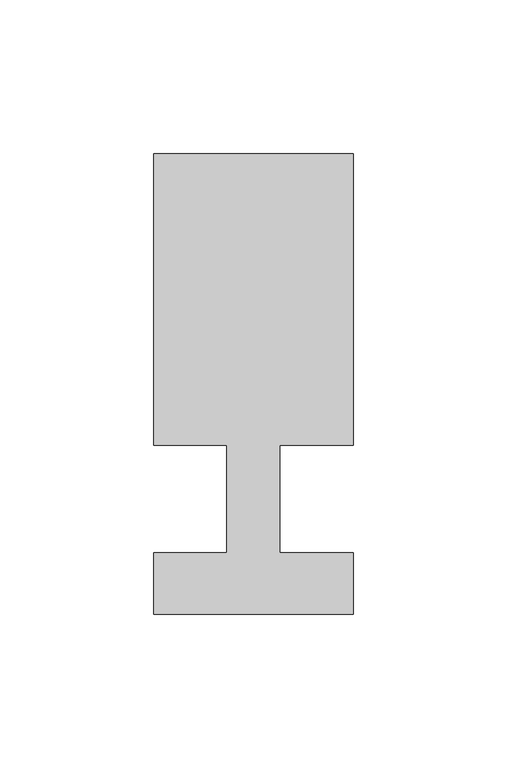
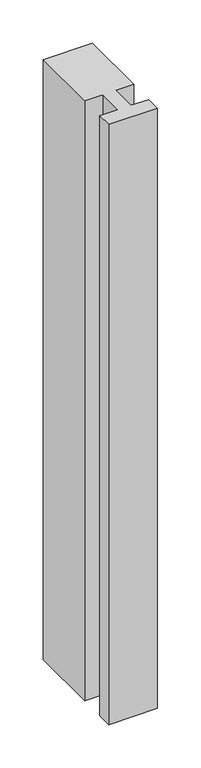
"""IFC4 building model written with IfcOpenShell, lengths in millimetres: member geometry."""

from ifc_helpers import new_model, si_unit, frame, origin, place, context, project, spatial, polyline, outline, extrude, source, transform, mapped, element, save


def member_607755a4(model_context):
    return source(origin(), model_context, "Body", "SweptSolid", [
        extrude(outline(polyline([(-65.0, -37.0), (-65.0, -17.0), (-41.1875, -17.0), (-41.1875, 18.0), (-65.0, 18.0), (-65.0, 113.0), (0.0, 113.0), (0.0, 18.0), (-23.8125, 18.0), (-23.8125, -17.0), (0.0, -17.0), (0.0, -37.0), (-65.0, -37.0)])), frame((0.0, 0.0, -843.4348165), z_axis=(0.0, 0.0, 1.0), x_axis=(1.0, 0.0, 0.0)), (0.0, 0.0, 1.0), 843.4348165),
    ])


if __name__ == "__main__":
    model = new_model("IFC4")
    model_context = context("Model", 3, world=origin())
    ifc_project = project(units=[si_unit("LENGTHUNIT", "METRE", prefix="MILLI")], contexts=[model_context])
    site = spatial("IfcSite", under=ifc_project)
    building = spatial("IfcBuilding", under=site)
    placement = place(None, origin())
    member_shape = member_607755a4(model_context)
    element("IfcMember", 1, at=placement, inside=building, context=model_context, shape_type="MappedRepresentation", body=[
        mapped(member_shape, transform((0.0, 0.0, 0.0), x_axis=(1.0, 0.0, 0.0), y_axis=(0.0, 1.0, 0.0), z_axis=(0.0, 0.0, 1.0))),
    ])
    save(model, "model.ifc")
